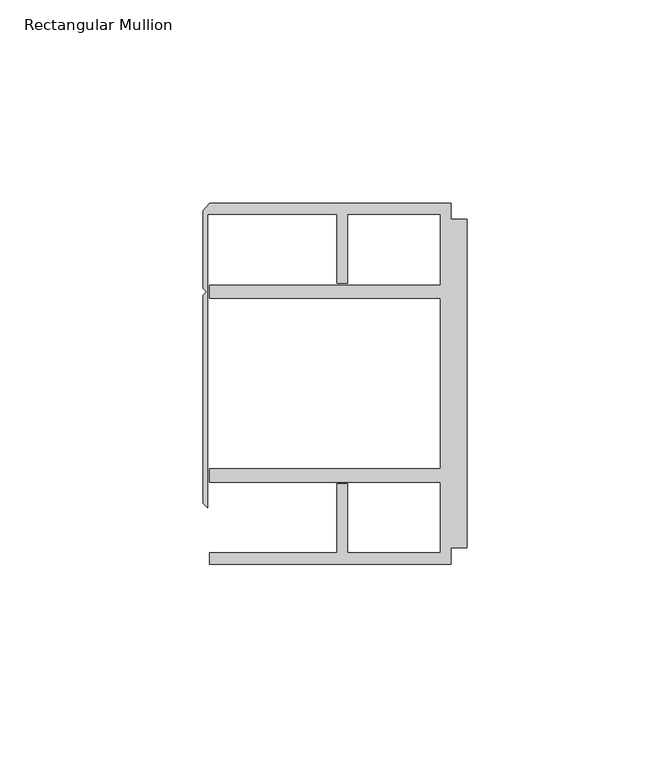
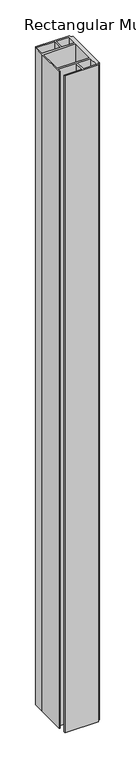
"""IFC4 building model written with IfcOpenShell, lengths in millimetres: member geometry, Rectangular Mullion."""

from ifc_helpers import new_model, si_unit, frame, origin, place, context, project, spatial, polyline, outline, extrude, source, transform, mapped, element, save


def rectangular_mullion_4508b89c(model_context):
    return source(origin(), model_context, "Body", "SweptSolid", [
        extrude(outline(polyline([(-4.0000001, 44.45), (-4.0000001, 40.4500013), (0.0, 40.4500013), (0.0, -40.4500013), (-4.0000001, -40.4500013), (-4.0000001, -44.45), (-63.5, -44.45), (-63.5, -41.6500013), (-32.0000002, -41.6500013), (-32.0000002, -24.6468758), (-29.4000001, -24.6468758), (-29.4000001, -41.6500013), (-6.6000002, -41.6500013), (-6.6000002, -24.2500008), (-63.5, -24.2500008), (-63.5, -20.9500007), (-6.6000002, -20.9500007), (-6.6000002, 20.9500007), (-63.5, 20.9500007), (-63.5, 24.2500008), (-6.6000002, 24.2500008), (-6.6000002, 41.6500013), (-29.4000001, 41.6500013), (-29.4000001, 24.6468758), (-32.0000002, 24.6468758), (-32.0000002, 41.6500013), (-63.9424102, 41.6500013), (-63.9424102, -30.6159585), (-65.0875, -29.4708687), (-65.0875, 21.7153948), (-64.1791674, 22.6237274), (-65.0875, 23.53206), (-65.0875, 42.5778955), (-63.5, 44.45), (-4.0000001, 44.45)])), frame((0.0, 0.0, -1219.2), z_axis=(0.0, 0.0, 1.0), x_axis=(1.0, 0.0, 0.0)), (0.0, 0.0, 1.0), 1219.2),
    ])


if __name__ == "__main__":
    model = new_model("IFC4")
    model_context = context("Model", 3, world=origin())
    ifc_project = project(units=[si_unit("LENGTHUNIT", "METRE", prefix="MILLI")], contexts=[model_context])
    site = spatial("IfcSite", under=ifc_project)
    building = spatial("IfcBuilding", under=site)
    placement = place(None, origin())
    rectangular_mullion_shape = rectangular_mullion_4508b89c(model_context)
    element("IfcMember", 1, ObjectType="Rectangular Mullion", at=placement, inside=building, context=model_context, shape_type="MappedRepresentation", body=[
        mapped(rectangular_mullion_shape, transform((0.0, 0.0, 0.0), x_axis=(1.0, 0.0, 0.0), y_axis=(0.0, 1.0, 0.0), z_axis=(0.0, 0.0, 1.0))),
    ])
    save(model, "model.ifc")
